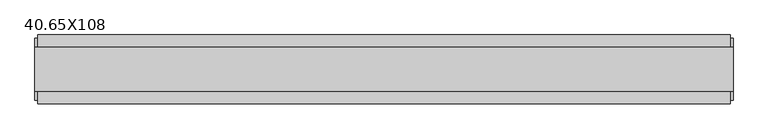
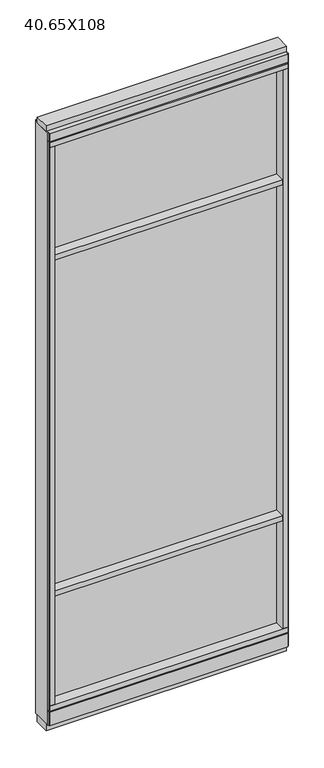
"""IFC4 building model written with IfcOpenShell, lengths in millimetres: furniture geometry, 40.65X108."""

import ifcopenshell
import ifcopenshell.guid

model = None  # the IFC model being written
_history = None  # IfcOwnerHistory: only IFC2X3 demands one
_inside = {}  # id of a spatial element -> (the spatial element, [elements in it])
_under = {}  # id of a project, library or spatial element -> (it, [spatial elements below it])
_declared = {}  # id of a project -> (the project, [libraries it declares])
_typed = {}  # id of a type object -> (the type object, [elements of that type])
_made_of = {}  # id of a material, layer set ... -> (it, [elements and type objects made of it])


def new_model(schema):
    """Start an empty IFC model of exactly this schema.

    Asked for "IFC4X3", IfcOpenShell would pick the latest addendum, in which some entities
    have other attributes; the version numbers below select the first issue.
    IFC2X3 requires an IfcOwnerHistory on every rooted entity: one is made here for all.
    """
    global model, _history
    if schema == "IFC4X3":
        model = ifcopenshell.file(schema_version=(4, 3, 0, 0))
    else:
        model = ifcopenshell.file(schema=schema)
    _inside.clear()
    _under.clear()
    _declared.clear()
    _typed.clear()
    _made_of.clear()
    _history = None
    if model.schema == "IFC2X3":
        org = make("IfcOrganization", Name="unknown")
        user = make(
            "IfcPersonAndOrganization",
            ThePerson=make("IfcPerson", FamilyName="unknown"),
            TheOrganization=org,
        )
        app = make(
            "IfcApplication",
            ApplicationDeveloper=org,
            Version="unknown",
            ApplicationFullName="unknown",
            ApplicationIdentifier="unknown",
        )
        _history = make(
            "IfcOwnerHistory",
            OwningUser=user,
            OwningApplication=app,
            ChangeAction="ADDED",
            CreationDate=0,
        )
    return model


def make(cls, **values):
    """One entity of the class cls with the attributes given. An attribute that is None is left unset."""
    return model.create_entity(
        cls, **{name: value for name, value in values.items() if value is not None}
    )


def rooted(cls, **values):
    """An entity with a GlobalId (a new one), such as an element, a storey or a relation."""
    return make(cls, GlobalId=ifcopenshell.guid.new(), OwnerHistory=_history, **values)


def si_unit(unit_type, name, prefix=None):
    """IfcSIUnit, for example si_unit("LENGTHUNIT", "METRE", prefix="MILLI")."""
    return make("IfcSIUnit", UnitType=unit_type, Prefix=prefix, Name=name)


def assignment(units):
    """IfcUnitAssignment: the units of a project."""
    return None if units is None else make("IfcUnitAssignment", Units=units)


def point(xyz):
    """IfcCartesianPoint."""
    return None if xyz is None else make("IfcCartesianPoint", Coordinates=xyz)


def direction(xyz):
    """IfcDirection."""
    return None if xyz is None else make("IfcDirection", DirectionRatios=xyz)


def frame(location, z_axis=None, x_axis=None):
    """IfcAxis2Placement3D, a coordinate frame: its origin and axes. An axis left out is left unset."""
    return make(
        "IfcAxis2Placement3D",
        Location=point(location),
        Axis=direction(z_axis),
        RefDirection=direction(x_axis),
    )


def origin():
    """The frame at (0, 0, 0) with its axes left unset."""
    return frame((0.0, 0.0, 0.0))


def origin_with_axes():
    """The frame at (0, 0, 0) with the z axis (0, 0, 1) and the x axis (1, 0, 0) written out."""
    return frame((0.0, 0.0, 0.0), z_axis=(0.0, 0.0, 1.0), x_axis=(1.0, 0.0, 0.0))


def place(relative_to, where):
    """IfcLocalPlacement: puts the frame where relative to a parent placement (None: the world)."""
    return make(
        "IfcLocalPlacement", PlacementRelTo=relative_to, RelativePlacement=where
    )


def context(
    kind, dimensions, precision=None, world=None, true_north=None, identifier=None
):
    """IfcGeometricRepresentationContext, for example the 3D "Model" context."""
    return make(
        "IfcGeometricRepresentationContext",
        ContextIdentifier=identifier,
        ContextType=kind,
        CoordinateSpaceDimension=dimensions,
        Precision=precision,
        WorldCoordinateSystem=world,
        TrueNorth=true_north,
    )


def project(units=None, contexts=None):
    """IfcProject with its units and contexts."""
    return rooted(
        "IfcProject",
        Name="project",
        RepresentationContexts=contexts,
        UnitsInContext=assignment(units),
    )


def spatial(cls, under=None, at=None, **own):
    """A site, building, storey or space (cls), placed at a placement, below another one or the project."""
    s = rooted(cls, ObjectPlacement=at, **own)
    if under is not None:
        _under.setdefault(under.id(), (under, []))[1].append(s)
    return s


def polyline(points):
    """IfcPolyline through the points."""
    return make("IfcPolyline", Points=[point(p) for p in points])


def outline(outer, holes=None, kind="AREA"):
    """IfcArbitraryClosedProfileDef: a profile drawn as a closed curve; with holes, ...WithVoids."""
    if holes is None:
        return make("IfcArbitraryClosedProfileDef", ProfileType=kind, OuterCurve=outer)
    return make(
        "IfcArbitraryProfileDefWithVoids",
        ProfileType=kind,
        OuterCurve=outer,
        InnerCurves=holes,
    )


def extrude(swept, where, along, depth):
    """IfcExtrudedAreaSolid: the profile swept, set in the frame where, extruded along a direction by depth."""
    return make(
        "IfcExtrudedAreaSolid",
        SweptArea=swept,
        Position=where,
        ExtrudedDirection=direction(along),
        Depth=depth,
    )


def shape(context_of_items, identifier, shape_type, items):
    """IfcShapeRepresentation: the items that make up one representation, for example the "Body"."""
    return make(
        "IfcShapeRepresentation",
        ContextOfItems=context_of_items,
        RepresentationIdentifier=identifier,
        RepresentationType=shape_type,
        Items=items,
    )


def source(mapping_origin, context_of_items, identifier, shape_type, items):
    """IfcRepresentationMap: a shape defined once, which mapped items show again and again."""
    return make(
        "IfcRepresentationMap",
        MappingOrigin=mapping_origin,
        MappedRepresentation=shape(context_of_items, identifier, shape_type, items),
    )


def transform(
    local_origin,
    x_axis=None,
    y_axis=None,
    z_axis=None,
    scale=None,
    scale2=None,
    scale3=None,
    uniform=True,
):
    """IfcCartesianTransformationOperator3D, or its non-uniform kind. x_axis, y_axis, z_axis: its Axis1, 2, 3."""
    if uniform:
        return make(
            "IfcCartesianTransformationOperator3D",
            Axis1=direction(x_axis),
            Axis2=direction(y_axis),
            LocalOrigin=point(local_origin),
            Scale=scale,
            Axis3=direction(z_axis),
        )
    return make(
        "IfcCartesianTransformationOperator3DnonUniform",
        Axis1=direction(x_axis),
        Axis2=direction(y_axis),
        LocalOrigin=point(local_origin),
        Scale=scale,
        Axis3=direction(z_axis),
        Scale2=scale2,
        Scale3=scale3,
    )


def mapped(mapping_source, mapping_target):
    """IfcMappedItem: shows the shape of a source again, moved by a transform."""
    return make(
        "IfcMappedItem", MappingSource=mapping_source, MappingTarget=mapping_target
    )


def made_of(thing, what):
    """Note that an element or type object is made of a material, layer set ...; save() writes the relation."""
    if what is not None:
        _made_of.setdefault(what.id(), (what, []))[1].append(thing)
    return thing


def element(
    cls,
    number,
    at=None,
    inside=None,
    cuts=None,
    type_object=None,
    material=None,
    context=None,
    identifier="Body",
    shape_type=None,
    held_by="IfcProductDefinitionShape",
    body=None,
    shapes=None,
    **own,
):
    """One element of the class cls, such as IfcWall. Its Tag is "e" and its number.

    at: its placement. inside: the storey or other place that contains it. cuts: it is an
    opening in that element (IfcRelVoidsElement). A single representation is given by context,
    identifier, shape_type and body (its items); several are given by shapes. held_by: the class
    of the entity that holds the representations. save() writes the other relations.
    """
    e = rooted(cls, Tag="e%d" % number, ObjectPlacement=at, **own)
    if body is not None:
        shapes = [shape(context, identifier, shape_type, body)]
    if shapes is not None:
        e.Representation = make(held_by, Representations=shapes)
    if inside is not None:
        _inside.setdefault(inside.id(), (inside, []))[1].append(e)
    if cuts is not None:
        rooted(
            "IfcRelVoidsElement", RelatingBuildingElement=cuts, RelatedOpeningElement=e
        )
    if type_object is not None:
        _typed.setdefault(type_object.id(), (type_object, []))[1].append(e)
    return made_of(e, material)


def aggregate(whole, parts):
    """IfcRelAggregates: a whole, such as a stair, and the parts it consists of."""
    return rooted("IfcRelAggregates", RelatingObject=whole, RelatedObjects=parts)


def save(model, path):
    """Write the relations noted so far, then the file.

    IfcRelAggregates (storeys below a building ...), IfcRelContainedInSpatialStructure (elements
    in a storey), IfcRelDefinesByType, IfcRelAssociatesMaterial and IfcRelDeclares: one each for
    every whole, place, type object, material and project.
    """
    for whole, parts in _under.values():
        aggregate(whole, parts)
    for where, things in _inside.values():
        rooted(
            "IfcRelContainedInSpatialStructure",
            RelatedElements=things,
            RelatingStructure=where,
        )
    for kind, things in _typed.values():
        rooted("IfcRelDefinesByType", RelatedObjects=things, RelatingType=kind)
    for what, things in _made_of.values():
        rooted("IfcRelAssociatesMaterial", RelatedObjects=things, RelatingMaterial=what)
    for by, libraries in _declared.values():
        rooted("IfcRelDeclares", RelatingContext=by, RelatedDefinitions=libraries)
    model.write(path)


def furniture_40_65x108_f626842e(model_context):
    return source(origin(), model_context, "Body", "SweptSolid", [
        extrude(outline(polyline([(-550.1295229, 0.5622784), (430.0564771, 0.5622784), (430.0564771, -9.5977216), (-550.1295229, -9.5977216), (-550.1295229, 0.5622784)])), frame((0.0, 0.0, 2155.825), z_axis=(0.0, 0.0, 1.0), x_axis=(1.0, 0.0, 0.0)), (0.0, 0.0, 1.0), 498.475),
        extrude(outline(polyline([(-550.1295229, 0.5622784), (430.0564771, 0.5622784), (430.0564771, -9.5977216), (-550.1295229, -9.5977216), (-550.1295229, 0.5622784)])), frame((0.0, 0.0, 631.825), z_axis=(0.0, 0.0, 1.0), x_axis=(1.0, 0.0, 0.0)), (0.0, 0.0, 1.0), 1501.775),
        extrude(outline(polyline([(-550.1295229, -52.3332216), (-550.1295229, 43.2977784), (430.0564771, 43.2977784), (430.0564771, -52.3332216), (-550.1295229, -52.3332216)])), frame((0.0, 0.0, 2133.6), z_axis=(0.0, 0.0, 1.0), x_axis=(1.0, 0.0, 0.0)), (0.0, 0.0, 1.0), 22.225),
        extrude(outline(polyline([(-550.1295229, -52.3332216), (-550.1295229, 43.2977784), (430.0564771, 43.2977784), (430.0564771, -52.3332216), (-550.1295229, -52.3332216)])), frame((0.0, 0.0, 609.6), z_axis=(0.0, 0.0, 1.0), x_axis=(1.0, 0.0, 0.0)), (0.0, 0.0, 1.0), 22.225),
        extrude(outline(polyline([(430.0564771, -9.5977216), (-550.1295229, -9.5977216), (-550.1295229, 0.5622784), (430.0564771, 0.5622784), (430.0564771, -9.5977216)])), frame((0.0, 0.0, 120.523), z_axis=(0.0, 0.0, 1.0), x_axis=(1.0, 0.0, 0.0)), (0.0, 0.0, 1.0), 489.077),
        extrude(outline(polyline([(-55.3177216, 93.345), (-50.3647216, 93.345), (-50.3647216, 98.298), (41.3292784, 98.298), (41.3292784, 93.345), (46.2822784, 93.345), (46.2822784, 31.75), (-55.3177216, 31.75), (-55.3177216, 93.345)])), frame((-572.3545229, 0.0, 0.0), z_axis=(1.0, 0.0, 0.0), x_axis=(0.0, 1.0, 0.0)), (0.0, 0.0, 1.0), 1024.636),
        extrude(outline(polyline([(-572.3545229, -55.3177216), (-572.3545229, 46.2822784), (452.2814771, 46.2822784), (452.2814771, -55.3177216), (-572.3545229, -55.3177216)])), frame((0.0, 0.0, 98.298), z_axis=(0.0, 0.0, 1.0), x_axis=(1.0, 0.0, 0.0)), (0.0, 0.0, 1.0), 22.225),
        extrude(outline(polyline([(456.2184771, 27.9942784), (456.2184771, -37.0297216), (-576.2915229, -37.0297216), (-576.2915229, 27.9942784), (456.2184771, 27.9942784)])), origin_with_axes(), (0.0, 0.0, 1.0), 31.75),
        extrude(outline(polyline([(-576.2915229, -37.0297216), (-576.2915229, 27.9942784), (456.2184771, 27.9942784), (456.2184771, -37.0297216), (-576.2915229, -37.0297216)])), frame((0.0, 0.0, 2717.8), z_axis=(0.0, 0.0, 1.0), x_axis=(1.0, 0.0, 0.0)), (0.0, 0.0, 1.0), 25.4),
        extrude(outline(polyline([(-55.3177216, 2681.478), (-55.3177216, 2717.8), (46.2822784, 2717.8), (46.2822784, 2681.478), (41.3292784, 2681.478), (41.3292784, 2676.525), (-50.3647216, 2676.525), (-50.3647216, 2681.478), (-55.3177216, 2681.478)])), frame((-572.3545229, 0.0, 0.0), z_axis=(1.0, 0.0, 0.0), x_axis=(0.0, 1.0, 0.0)), (0.0, 0.0, 1.0), 1024.636),
        extrude(outline(polyline([(452.2814771, 46.2822784), (452.2814771, -55.3177216), (-572.3545229, -55.3177216), (-572.3545229, 46.2822784), (452.2814771, 46.2822784)])), frame((0.0, 0.0, 2654.3), z_axis=(0.0, 0.0, 1.0), x_axis=(1.0, 0.0, 0.0)), (0.0, 0.0, 1.0), 22.225),
        extrude(outline(polyline([(430.0564771, -55.3177216), (430.0564771, 46.2822784), (452.2814771, 46.2822784), (452.2814771, -55.3177216), (430.0564771, -55.3177216)])), frame((0.0, 0.0, 120.523), z_axis=(0.0, 0.0, 1.0), x_axis=(1.0, 0.0, 0.0)), (0.0, 0.0, 1.0), 2533.777),
        extrude(outline(polyline([(-550.1295229, -55.3177216), (-572.3545229, -55.3177216), (-572.3545229, 46.2822784), (-550.1295229, 46.2822784), (-550.1295229, -55.3177216)])), frame((0.0, 0.0, 120.523), z_axis=(0.0, 0.0, 1.0), x_axis=(1.0, 0.0, 0.0)), (0.0, 0.0, 1.0), 2533.777),
        extrude(outline(polyline([(456.2184771, -50.3647216), (452.2814771, -50.3647216), (452.2814771, 41.3292784), (456.2184771, 41.3292784), (456.2184771, -50.3647216)])), frame((0.0, 0.0, 31.75), z_axis=(0.0, 0.0, 1.0), x_axis=(1.0, 0.0, 0.0)), (0.0, 0.0, 1.0), 2686.05),
        extrude(outline(polyline([(-576.2915229, -50.3647216), (-576.2915229, 41.3292784), (-572.3545229, 41.3292784), (-572.3545229, -50.3647216), (-576.2915229, -50.3647216)])), frame((0.0, 0.0, 31.75), z_axis=(0.0, 0.0, 1.0), x_axis=(1.0, 0.0, 0.0)), (0.0, 0.0, 1.0), 2686.05),
    ])


if __name__ == "__main__":
    model = new_model("IFC4")
    model_context = context("Model", 3, world=origin())
    ifc_project = project(units=[si_unit("LENGTHUNIT", "METRE", prefix="MILLI")], contexts=[model_context])
    site = spatial("IfcSite", under=ifc_project)
    building = spatial("IfcBuilding", under=site)
    placement = place(None, origin())
    furniture_40_65x108_shape = furniture_40_65x108_f626842e(model_context)
    element("IfcFurniture", 1, ObjectType="40.65X108", at=placement, inside=building, context=model_context, shape_type="MappedRepresentation", body=[
        mapped(furniture_40_65x108_shape, transform((0.0, 0.0, 0.0), x_axis=(1.0, 0.0, 0.0), y_axis=(0.0, 1.0, 0.0), z_axis=(0.0, 0.0, 1.0))),
    ])
    save(model, "model.ifc")
